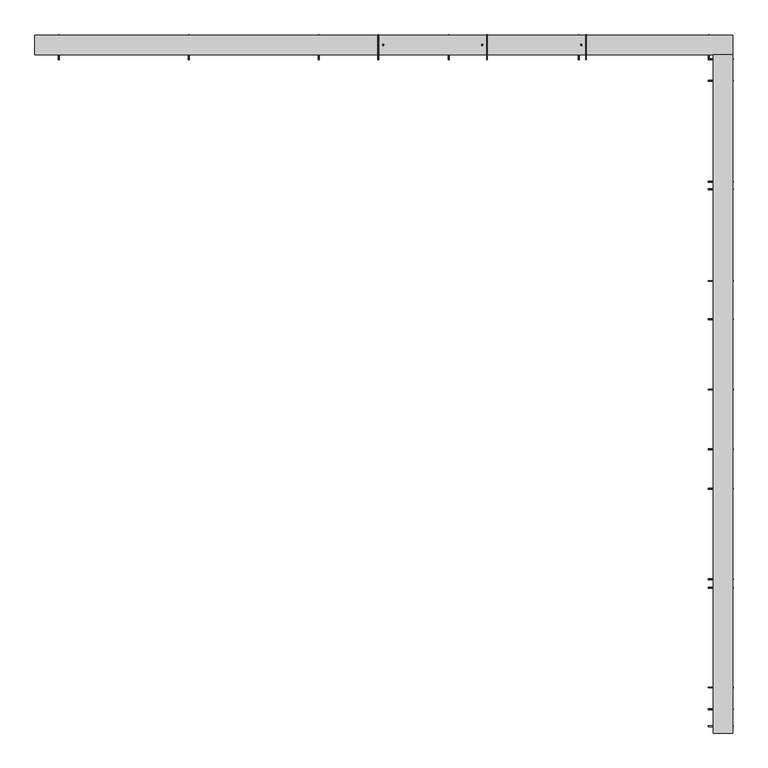
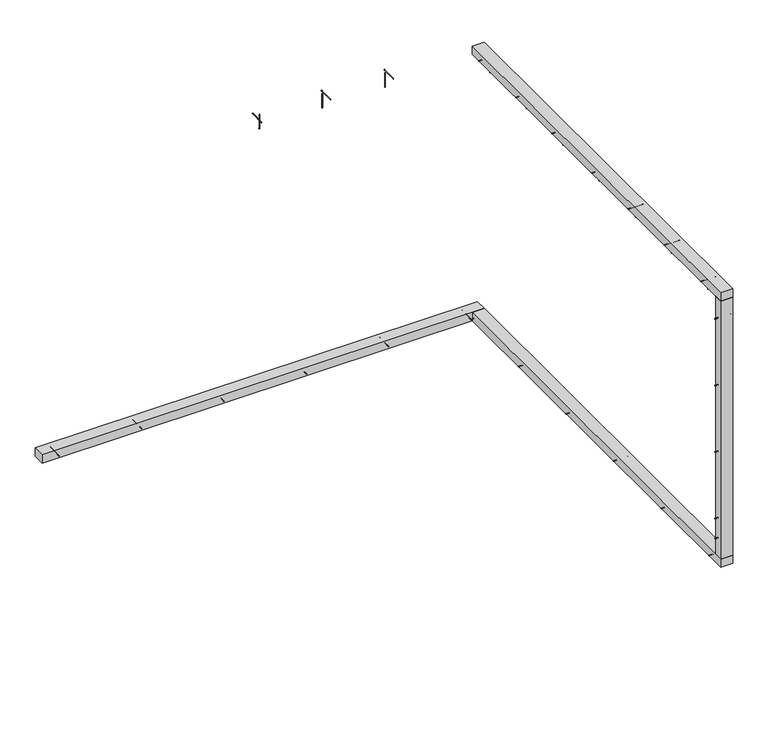
"""IFC4 building model written with IfcOpenShell, lengths in millimetres: proxy geometry."""

from ifc_helpers import new_model, si_unit, point, frame, frame_2d, origin, origin_with_axes, place, context, project, spatial, polyline, circle_curve, trimmed, segment, composite_curve, outline, extrude, source, transform, mapped, element, save


def generic_models_21208de3(model_context):
    return source(origin(), model_context, "Body", "SweptSolid", [
        extrude(outline(composite_curve([segment(trimmed(circle_curve(frame_2d((-690.0, 42.5)), 2.4700592), [point((-690.0, 44.9700592))], [point((-690.0, 40.0299408))], False, "CARTESIAN"), True, "CONTINUOUS"), segment(trimmed(circle_curve(frame_2d((-690.0, 42.5)), 2.4700592), [point((-690.0, 40.0299408))], [point((-690.0, 44.9700592))], False, "CARTESIAN"), True, "CONTINUOUS")], self_intersect=False)), frame((2220.5, 0.0, 0.0), z_axis=(1.0, 0.0, 0.0), x_axis=(0.0, 1.0, 0.0)), (0.0, 0.0, 1.0), 152.0),
        extrude(outline(composite_curve([segment(trimmed(circle_curve(frame_2d((-690.0, 42.5)), 3.8), [point((-690.0, 46.3))], [point((-690.0, 38.7))], False, "CARTESIAN"), True, "CONTINUOUS"), segment(trimmed(circle_curve(frame_2d((-690.0, 42.5)), 3.8), [point((-690.0, 38.7))], [point((-690.0, 46.3))], False, "CARTESIAN"), True, "CONTINUOUS")], self_intersect=False)), frame((2372.5, 0.0, 0.0), z_axis=(1.0, 0.0, 0.0), x_axis=(0.0, 1.0, 0.0)), (0.0, 0.0, 1.0), 3.0),
        extrude(outline(composite_curve([segment(trimmed(circle_curve(frame_2d((-1505.0, 42.5)), 2.4700592), [point((-1505.0, 44.9700592))], [point((-1505.0, 40.0299408))], False, "CARTESIAN"), True, "CONTINUOUS"), segment(trimmed(circle_curve(frame_2d((-1505.0, 42.5)), 2.4700592), [point((-1505.0, 40.0299408))], [point((-1505.0, 44.9700592))], False, "CARTESIAN"), True, "CONTINUOUS")], self_intersect=False)), frame((2220.5, 0.0, 0.0), z_axis=(1.0, 0.0, 0.0), x_axis=(0.0, 1.0, 0.0)), (0.0, 0.0, 1.0), 152.0),
        extrude(outline(composite_curve([segment(trimmed(circle_curve(frame_2d((-1505.0, 42.5)), 3.8), [point((-1505.0, 46.3))], [point((-1505.0, 38.7))], False, "CARTESIAN"), True, "CONTINUOUS"), segment(trimmed(circle_curve(frame_2d((-1505.0, 42.5)), 3.8), [point((-1505.0, 38.7))], [point((-1505.0, 46.3))], False, "CARTESIAN"), True, "CONTINUOUS")], self_intersect=False)), frame((2372.5, 0.0, 0.0), z_axis=(1.0, 0.0, 0.0), x_axis=(0.0, 1.0, 0.0)), (0.0, 0.0, 1.0), 3.0),
        extrude(outline(composite_curve([segment(trimmed(circle_curve(frame_2d((-2320.0, 42.5)), 2.4700592), [point((-2320.0, 44.9700592))], [point((-2320.0, 40.0299408))], False, "CARTESIAN"), True, "CONTINUOUS"), segment(trimmed(circle_curve(frame_2d((-2320.0, 42.5)), 2.4700592), [point((-2320.0, 40.0299408))], [point((-2320.0, 44.9700592))], False, "CARTESIAN"), True, "CONTINUOUS")], self_intersect=False)), frame((2220.5, 0.0, 0.0), z_axis=(1.0, 0.0, 0.0), x_axis=(0.0, 1.0, 0.0)), (0.0, 0.0, 1.0), 152.0),
        extrude(outline(composite_curve([segment(trimmed(circle_curve(frame_2d((-2320.0, 42.5)), 3.8), [point((-2320.0, 46.3))], [point((-2320.0, 38.7))], False, "CARTESIAN"), True, "CONTINUOUS"), segment(trimmed(circle_curve(frame_2d((-2320.0, 42.5)), 3.8), [point((-2320.0, 38.7))], [point((-2320.0, 46.3))], False, "CARTESIAN"), True, "CONTINUOUS")], self_intersect=False)), frame((2372.5, 0.0, 0.0), z_axis=(1.0, 0.0, 0.0), x_axis=(0.0, 1.0, 0.0)), (0.0, 0.0, 1.0), 3.0),
        extrude(outline(composite_curve([segment(trimmed(circle_curve(frame_2d((-3135.0, 42.5)), 2.4700592), [point((-3135.0, 44.9700592))], [point((-3135.0, 40.0299408))], False, "CARTESIAN"), True, "CONTINUOUS"), segment(trimmed(circle_curve(frame_2d((-3135.0, 42.5)), 2.4700592), [point((-3135.0, 40.0299408))], [point((-3135.0, 44.9700592))], False, "CARTESIAN"), True, "CONTINUOUS")], self_intersect=False)), frame((2220.5, 0.0, 0.0), z_axis=(1.0, 0.0, 0.0), x_axis=(0.0, 1.0, 0.0)), (0.0, 0.0, 1.0), 152.0),
        extrude(outline(composite_curve([segment(trimmed(circle_curve(frame_2d((-3135.0, 42.5)), 3.8), [point((-3135.0, 46.3))], [point((-3135.0, 38.7))], False, "CARTESIAN"), True, "CONTINUOUS"), segment(trimmed(circle_curve(frame_2d((-3135.0, 42.5)), 3.8), [point((-3135.0, 38.7))], [point((-3135.0, 46.3))], False, "CARTESIAN"), True, "CONTINUOUS")], self_intersect=False)), frame((2372.5, 0.0, 0.0), z_axis=(1.0, 0.0, 0.0), x_axis=(0.0, 1.0, 0.0)), (0.0, 0.0, 1.0), 3.0),
        extrude(outline(composite_curve([segment(trimmed(circle_curve(frame_2d((125.0, 42.5)), 2.4700592), [point((125.0, 44.9700592))], [point((125.0, 40.0299408))], False, "CARTESIAN"), True, "CONTINUOUS"), segment(trimmed(circle_curve(frame_2d((125.0, 42.5)), 2.4700592), [point((125.0, 40.0299408))], [point((125.0, 44.9700592))], False, "CARTESIAN"), True, "CONTINUOUS")], self_intersect=False)), frame((2220.5, 0.0, 0.0), z_axis=(1.0, 0.0, 0.0), x_axis=(0.0, 1.0, 0.0)), (0.0, 0.0, 1.0), 152.0),
        extrude(outline(composite_curve([segment(trimmed(circle_curve(frame_2d((125.0, 42.5)), 3.8), [point((125.0, 46.3))], [point((125.0, 38.7))], False, "CARTESIAN"), True, "CONTINUOUS"), segment(trimmed(circle_curve(frame_2d((125.0, 42.5)), 3.8), [point((125.0, 38.7))], [point((125.0, 46.3))], False, "CARTESIAN"), True, "CONTINUOUS")], self_intersect=False)), frame((2372.5, 0.0, 0.0), z_axis=(1.0, 0.0, 0.0), x_axis=(0.0, 1.0, 0.0)), (0.0, 0.0, 1.0), 3.0),
        extrude(outline(composite_curve([segment(trimmed(circle_curve(frame_2d((-3950.0, 42.5)), 2.4700592), [point((-3950.0, 44.9700592))], [point((-3950.0, 40.0299408))], False, "CARTESIAN"), True, "CONTINUOUS"), segment(trimmed(circle_curve(frame_2d((-3950.0, 42.5)), 2.4700592), [point((-3950.0, 40.0299408))], [point((-3950.0, 44.9700592))], False, "CARTESIAN"), True, "CONTINUOUS")], self_intersect=False)), frame((2220.5, 0.0, 0.0), z_axis=(1.0, 0.0, 0.0), x_axis=(0.0, 1.0, 0.0)), (0.0, 0.0, 1.0), 152.0),
        extrude(outline(composite_curve([segment(trimmed(circle_curve(frame_2d((-3950.0, 42.5)), 3.8), [point((-3950.0, 46.3))], [point((-3950.0, 38.7))], False, "CARTESIAN"), True, "CONTINUOUS"), segment(trimmed(circle_curve(frame_2d((-3950.0, 42.5)), 3.8), [point((-3950.0, 38.7))], [point((-3950.0, 46.3))], False, "CARTESIAN"), True, "CONTINUOUS")], self_intersect=False)), frame((2372.5, 0.0, 0.0), z_axis=(1.0, 0.0, 0.0), x_axis=(0.0, 1.0, 0.0)), (0.0, 0.0, 1.0), 3.0),
        extrude(outline(polyline([(2252.5, 155.0), (2372.5, 155.0), (2372.5, -4100.0), (2252.5, -4100.0), (2252.5, 155.0)])), origin_with_axes(), (0.0, 0.0, 1.0), 85.0),
        extrude(outline(composite_curve([segment(trimmed(circle_curve(frame_2d((-1264.6666667, 2827.5)), 2.4700592), [point((-1264.6666667, 2829.9700592))], [point((-1264.6666667, 2825.0299408))], False, "CARTESIAN"), True, "CONTINUOUS"), segment(trimmed(circle_curve(frame_2d((-1264.6666667, 2827.5)), 2.4700592), [point((-1264.6666667, 2825.0299408))], [point((-1264.6666667, 2829.9700592))], False, "CARTESIAN"), True, "CONTINUOUS")], self_intersect=False)), frame((2220.5, 0.0, 0.0), z_axis=(1.0, 0.0, 0.0), x_axis=(0.0, 1.0, 0.0)), (0.0, 0.0, 1.0), 152.0),
        extrude(outline(composite_curve([segment(trimmed(circle_curve(frame_2d((-1264.6666667, 2827.5)), 3.8), [point((-1264.6666667, 2831.3))], [point((-1264.6666667, 2823.7))], False, "CARTESIAN"), True, "CONTINUOUS"), segment(trimmed(circle_curve(frame_2d((-1264.6666667, 2827.5)), 3.8), [point((-1264.6666667, 2823.7))], [point((-1264.6666667, 2831.3))], False, "CARTESIAN"), True, "CONTINUOUS")], self_intersect=False)), frame((2372.5, 0.0, 0.0), z_axis=(1.0, 0.0, 0.0), x_axis=(0.0, 1.0, 0.0)), (0.0, 0.0, 1.0), 3.0),
        extrude(outline(composite_curve([segment(trimmed(circle_curve(frame_2d((2312.5, -1294.6666667)), 2.4700592), [point((2310.0299408, -1294.6666667))], [point((2314.9700592, -1294.6666667))], False, "CARTESIAN"), True, "CONTINUOUS"), segment(trimmed(circle_curve(frame_2d((2312.5, -1294.6666667)), 2.4700592), [point((2314.9700592, -1294.6666667))], [point((2310.0299408, -1294.6666667))], False, "CARTESIAN"), True, "CONTINUOUS")], self_intersect=False)), frame((0.0, 0.0, 2700.0), z_axis=(0.0, 0.0, 1.0), x_axis=(1.0, 0.0, 0.0)), (0.0, 0.0, 1.0), 145.0),
        extrude(outline(composite_curve([segment(trimmed(circle_curve(frame_2d((2312.5, -1294.6666667)), 3.8), [point((2308.7, -1294.6666667))], [point((2316.3, -1294.6666667))], False, "CARTESIAN"), True, "CONTINUOUS"), segment(trimmed(circle_curve(frame_2d((2312.5, -1294.6666667)), 3.8), [point((2316.3, -1294.6666667))], [point((2308.7, -1294.6666667))], False, "CARTESIAN"), True, "CONTINUOUS")], self_intersect=False)), frame((0.0, 0.0, 2697.0), z_axis=(0.0, 0.0, 1.0), x_axis=(1.0, 0.0, 0.0)), (0.0, 0.0, 1.0), 3.0),
        extrude(outline(composite_curve([segment(trimmed(circle_curve(frame_2d((-1946.0, 2827.5)), 2.4700592), [point((-1946.0, 2829.9700592))], [point((-1946.0, 2825.0299408))], False, "CARTESIAN"), True, "CONTINUOUS"), segment(trimmed(circle_curve(frame_2d((-1946.0, 2827.5)), 2.4700592), [point((-1946.0, 2825.0299408))], [point((-1946.0, 2829.9700592))], False, "CARTESIAN"), True, "CONTINUOUS")], self_intersect=False)), frame((2220.5, 0.0, 0.0), z_axis=(1.0, 0.0, 0.0), x_axis=(0.0, 1.0, 0.0)), (0.0, 0.0, 1.0), 152.0),
        extrude(outline(composite_curve([segment(trimmed(circle_curve(frame_2d((-1946.0, 2827.5)), 3.8), [point((-1946.0, 2831.3))], [point((-1946.0, 2823.7))], False, "CARTESIAN"), True, "CONTINUOUS"), segment(trimmed(circle_curve(frame_2d((-1946.0, 2827.5)), 3.8), [point((-1946.0, 2823.7))], [point((-1946.0, 2831.3))], False, "CARTESIAN"), True, "CONTINUOUS")], self_intersect=False)), frame((2372.5, 0.0, 0.0), z_axis=(1.0, 0.0, 0.0), x_axis=(0.0, 1.0, 0.0)), (0.0, 0.0, 1.0), 3.0),
        extrude(outline(composite_curve([segment(trimmed(circle_curve(frame_2d((2312.5, -1916.0)), 2.4700592), [point((2310.0299408, -1916.0))], [point((2314.9700592, -1916.0))], False, "CARTESIAN"), True, "CONTINUOUS"), segment(trimmed(circle_curve(frame_2d((2312.5, -1916.0)), 2.4700592), [point((2314.9700592, -1916.0))], [point((2310.0299408, -1916.0))], False, "CARTESIAN"), True, "CONTINUOUS")], self_intersect=False)), frame((0.0, 0.0, 2700.0), z_axis=(0.0, 0.0, 1.0), x_axis=(1.0, 0.0, 0.0)), (0.0, 0.0, 1.0), 145.0),
        extrude(outline(composite_curve([segment(trimmed(circle_curve(frame_2d((2312.5, -1916.0)), 3.8), [point((2308.7, -1916.0))], [point((2316.3, -1916.0))], False, "CARTESIAN"), True, "CONTINUOUS"), segment(trimmed(circle_curve(frame_2d((2312.5, -1916.0)), 3.8), [point((2316.3, -1916.0))], [point((2308.7, -1916.0))], False, "CARTESIAN"), True, "CONTINUOUS")], self_intersect=False)), frame((0.0, 0.0, 2697.0), z_axis=(0.0, 0.0, 1.0), x_axis=(1.0, 0.0, 0.0)), (0.0, 0.0, 1.0), 3.0),
        extrude(outline(composite_curve([segment(trimmed(circle_curve(frame_2d((-643.3333333, 2827.5)), 2.4700592), [point((-643.3333333, 2829.9700592))], [point((-643.3333333, 2825.0299408))], False, "CARTESIAN"), True, "CONTINUOUS"), segment(trimmed(circle_curve(frame_2d((-643.3333333, 2827.5)), 2.4700592), [point((-643.3333333, 2825.0299408))], [point((-643.3333333, 2829.9700592))], False, "CARTESIAN"), True, "CONTINUOUS")], self_intersect=False)), frame((2220.5, 0.0, 0.0), z_axis=(1.0, 0.0, 0.0), x_axis=(0.0, 1.0, 0.0)), (0.0, 0.0, 1.0), 152.0),
        extrude(outline(composite_curve([segment(trimmed(circle_curve(frame_2d((-643.3333333, 2827.5)), 3.8), [point((-643.3333333, 2831.3))], [point((-643.3333333, 2823.7))], False, "CARTESIAN"), True, "CONTINUOUS"), segment(trimmed(circle_curve(frame_2d((-643.3333333, 2827.5)), 3.8), [point((-643.3333333, 2823.7))], [point((-643.3333333, 2831.3))], False, "CARTESIAN"), True, "CONTINUOUS")], self_intersect=False)), frame((2372.5, 0.0, 0.0), z_axis=(1.0, 0.0, 0.0), x_axis=(0.0, 1.0, 0.0)), (0.0, 0.0, 1.0), 3.0),
        extrude(outline(composite_curve([segment(trimmed(circle_curve(frame_2d((2312.5, -673.3333333)), 2.4700592), [point((2310.0299408, -673.3333333))], [point((2314.9700592, -673.3333333))], False, "CARTESIAN"), True, "CONTINUOUS"), segment(trimmed(circle_curve(frame_2d((2312.5, -673.3333333)), 2.4700592), [point((2314.9700592, -673.3333333))], [point((2310.0299408, -673.3333333))], False, "CARTESIAN"), True, "CONTINUOUS")], self_intersect=False)), frame((0.0, 0.0, 2700.0), z_axis=(0.0, 0.0, 1.0), x_axis=(1.0, 0.0, 0.0)), (0.0, 0.0, 1.0), 145.0),
        extrude(outline(composite_curve([segment(trimmed(circle_curve(frame_2d((2312.5, -673.3333333)), 3.8), [point((2308.7, -673.3333333))], [point((2316.3, -673.3333333))], False, "CARTESIAN"), True, "CONTINUOUS"), segment(trimmed(circle_curve(frame_2d((2312.5, -673.3333333)), 3.8), [point((2316.3, -673.3333333))], [point((2308.7, -673.3333333))], False, "CARTESIAN"), True, "CONTINUOUS")], self_intersect=False)), frame((0.0, 0.0, 2697.0), z_axis=(0.0, 0.0, 1.0), x_axis=(1.0, 0.0, 0.0)), (0.0, 0.0, 1.0), 3.0),
        extrude(outline(composite_curve([segment(trimmed(circle_curve(frame_2d((-2567.3333333, 2827.5)), 2.4700592), [point((-2567.3333333, 2829.9700592))], [point((-2567.3333333, 2825.0299408))], False, "CARTESIAN"), True, "CONTINUOUS"), segment(trimmed(circle_curve(frame_2d((-2567.3333333, 2827.5)), 2.4700592), [point((-2567.3333333, 2825.0299408))], [point((-2567.3333333, 2829.9700592))], False, "CARTESIAN"), True, "CONTINUOUS")], self_intersect=False)), frame((2220.5, 0.0, 0.0), z_axis=(1.0, 0.0, 0.0), x_axis=(0.0, 1.0, 0.0)), (0.0, 0.0, 1.0), 152.0),
        extrude(outline(composite_curve([segment(trimmed(circle_curve(frame_2d((-2567.3333333, 2827.5)), 3.8), [point((-2567.3333333, 2831.3))], [point((-2567.3333333, 2823.7))], False, "CARTESIAN"), True, "CONTINUOUS"), segment(trimmed(circle_curve(frame_2d((-2567.3333333, 2827.5)), 3.8), [point((-2567.3333333, 2823.7))], [point((-2567.3333333, 2831.3))], False, "CARTESIAN"), True, "CONTINUOUS")], self_intersect=False)), frame((2372.5, 0.0, 0.0), z_axis=(1.0, 0.0, 0.0), x_axis=(0.0, 1.0, 0.0)), (0.0, 0.0, 1.0), 3.0),
        extrude(outline(composite_curve([segment(trimmed(circle_curve(frame_2d((2312.5, -2537.3333333)), 2.4700592), [point((2310.0299408, -2537.3333333))], [point((2314.9700592, -2537.3333333))], False, "CARTESIAN"), True, "CONTINUOUS"), segment(trimmed(circle_curve(frame_2d((2312.5, -2537.3333333)), 2.4700592), [point((2314.9700592, -2537.3333333))], [point((2310.0299408, -2537.3333333))], False, "CARTESIAN"), True, "CONTINUOUS")], self_intersect=False)), frame((0.0, 0.0, 2700.0), z_axis=(0.0, 0.0, 1.0), x_axis=(1.0, 0.0, 0.0)), (0.0, 0.0, 1.0), 145.0),
        extrude(outline(composite_curve([segment(trimmed(circle_curve(frame_2d((2312.5, -2537.3333333)), 3.8), [point((2308.7, -2537.3333333))], [point((2316.3, -2537.3333333))], False, "CARTESIAN"), True, "CONTINUOUS"), segment(trimmed(circle_curve(frame_2d((2312.5, -2537.3333333)), 3.8), [point((2316.3, -2537.3333333))], [point((2308.7, -2537.3333333))], False, "CARTESIAN"), True, "CONTINUOUS")], self_intersect=False)), frame((0.0, 0.0, 2697.0), z_axis=(0.0, 0.0, 1.0), x_axis=(1.0, 0.0, 0.0)), (0.0, 0.0, 1.0), 3.0),
        extrude(outline(composite_curve([segment(trimmed(circle_curve(frame_2d((-3188.6666667, 2827.5)), 2.4700592), [point((-3188.6666667, 2829.9700592))], [point((-3188.6666667, 2825.0299408))], False, "CARTESIAN"), True, "CONTINUOUS"), segment(trimmed(circle_curve(frame_2d((-3188.6666667, 2827.5)), 2.4700592), [point((-3188.6666667, 2825.0299408))], [point((-3188.6666667, 2829.9700592))], False, "CARTESIAN"), True, "CONTINUOUS")], self_intersect=False)), frame((2220.5, 0.0, 0.0), z_axis=(1.0, 0.0, 0.0), x_axis=(0.0, 1.0, 0.0)), (0.0, 0.0, 1.0), 152.0),
        extrude(outline(composite_curve([segment(trimmed(circle_curve(frame_2d((-3188.6666667, 2827.5)), 3.8), [point((-3188.6666667, 2831.3))], [point((-3188.6666667, 2823.7))], False, "CARTESIAN"), True, "CONTINUOUS"), segment(trimmed(circle_curve(frame_2d((-3188.6666667, 2827.5)), 3.8), [point((-3188.6666667, 2823.7))], [point((-3188.6666667, 2831.3))], False, "CARTESIAN"), True, "CONTINUOUS")], self_intersect=False)), frame((2372.5, 0.0, 0.0), z_axis=(1.0, 0.0, 0.0), x_axis=(0.0, 1.0, 0.0)), (0.0, 0.0, 1.0), 3.0),
        extrude(outline(composite_curve([segment(trimmed(circle_curve(frame_2d((2312.5, -3158.6666667)), 2.4700592), [point((2310.0299408, -3158.6666667))], [point((2314.9700592, -3158.6666667))], False, "CARTESIAN"), True, "CONTINUOUS"), segment(trimmed(circle_curve(frame_2d((2312.5, -3158.6666667)), 2.4700592), [point((2314.9700592, -3158.6666667))], [point((2310.0299408, -3158.6666667))], False, "CARTESIAN"), True, "CONTINUOUS")], self_intersect=False)), frame((0.0, 0.0, 2700.0), z_axis=(0.0, 0.0, 1.0), x_axis=(1.0, 0.0, 0.0)), (0.0, 0.0, 1.0), 145.0),
        extrude(outline(composite_curve([segment(trimmed(circle_curve(frame_2d((2312.5, -3158.6666667)), 3.8), [point((2308.7, -3158.6666667))], [point((2316.3, -3158.6666667))], False, "CARTESIAN"), True, "CONTINUOUS"), segment(trimmed(circle_curve(frame_2d((2312.5, -3158.6666667)), 3.8), [point((2316.3, -3158.6666667))], [point((2308.7, -3158.6666667))], False, "CARTESIAN"), True, "CONTINUOUS")], self_intersect=False)), frame((0.0, 0.0, 2697.0), z_axis=(0.0, 0.0, 1.0), x_axis=(1.0, 0.0, 0.0)), (0.0, 0.0, 1.0), 3.0),
        extrude(outline(composite_curve([segment(trimmed(circle_curve(frame_2d((2312.5, -52.0)), 2.4700592), [point((2310.0299408, -52.0))], [point((2314.9700592, -52.0))], False, "CARTESIAN"), True, "CONTINUOUS"), segment(trimmed(circle_curve(frame_2d((2312.5, -52.0)), 2.4700592), [point((2314.9700592, -52.0))], [point((2310.0299408, -52.0))], False, "CARTESIAN"), True, "CONTINUOUS")], self_intersect=False)), frame((0.0, 0.0, 2700.0), z_axis=(0.0, 0.0, 1.0), x_axis=(1.0, 0.0, 0.0)), (0.0, 0.0, 1.0), 145.0),
        extrude(outline(composite_curve([segment(trimmed(circle_curve(frame_2d((2312.5, -52.0)), 3.8), [point((2308.7, -52.0))], [point((2316.3, -52.0))], False, "CARTESIAN"), True, "CONTINUOUS"), segment(trimmed(circle_curve(frame_2d((2312.5, -52.0)), 3.8), [point((2316.3, -52.0))], [point((2308.7, -52.0))], False, "CARTESIAN"), True, "CONTINUOUS")], self_intersect=False)), frame((0.0, 0.0, 2697.0), z_axis=(0.0, 0.0, 1.0), x_axis=(1.0, 0.0, 0.0)), (0.0, 0.0, 1.0), 3.0),
        extrude(outline(composite_curve([segment(trimmed(circle_curve(frame_2d((2312.5, -3780.0)), 2.4700592), [point((2310.0299408, -3780.0))], [point((2314.9700592, -3780.0))], False, "CARTESIAN"), True, "CONTINUOUS"), segment(trimmed(circle_curve(frame_2d((2312.5, -3780.0)), 2.4700592), [point((2314.9700592, -3780.0))], [point((2310.0299408, -3780.0))], False, "CARTESIAN"), True, "CONTINUOUS")], self_intersect=False)), frame((0.0, 0.0, 2700.0), z_axis=(0.0, 0.0, 1.0), x_axis=(1.0, 0.0, 0.0)), (0.0, 0.0, 1.0), 145.0),
        extrude(outline(composite_curve([segment(trimmed(circle_curve(frame_2d((2312.5, -3780.0)), 3.8), [point((2308.7, -3780.0))], [point((2316.3, -3780.0))], False, "CARTESIAN"), True, "CONTINUOUS"), segment(trimmed(circle_curve(frame_2d((2312.5, -3780.0)), 3.8), [point((2316.3, -3780.0))], [point((2308.7, -3780.0))], False, "CARTESIAN"), True, "CONTINUOUS")], self_intersect=False)), frame((0.0, 0.0, 2697.0), z_axis=(0.0, 0.0, 1.0), x_axis=(1.0, 0.0, 0.0)), (0.0, 0.0, 1.0), 3.0),
        extrude(outline(composite_curve([segment(trimmed(circle_curve(frame_2d((-3815.0, 2827.5)), 2.4700592), [point((-3815.0, 2829.9700592))], [point((-3815.0, 2825.0299408))], False, "CARTESIAN"), True, "CONTINUOUS"), segment(trimmed(circle_curve(frame_2d((-3815.0, 2827.5)), 2.4700592), [point((-3815.0, 2825.0299408))], [point((-3815.0, 2829.9700592))], False, "CARTESIAN"), True, "CONTINUOUS")], self_intersect=False)), frame((2220.5, 0.0, 0.0), z_axis=(1.0, 0.0, 0.0), x_axis=(0.0, 1.0, 0.0)), (0.0, 0.0, 1.0), 152.0),
        extrude(outline(composite_curve([segment(trimmed(circle_curve(frame_2d((-3815.0, 2827.5)), 3.8), [point((-3815.0, 2831.3))], [point((-3815.0, 2823.7))], False, "CARTESIAN"), True, "CONTINUOUS"), segment(trimmed(circle_curve(frame_2d((-3815.0, 2827.5)), 3.8), [point((-3815.0, 2823.7))], [point((-3815.0, 2831.3))], False, "CARTESIAN"), True, "CONTINUOUS")], self_intersect=False)), frame((2372.5, 0.0, 0.0), z_axis=(1.0, 0.0, 0.0), x_axis=(0.0, 1.0, 0.0)), (0.0, 0.0, 1.0), 3.0),
        extrude(outline(composite_curve([segment(trimmed(circle_curve(frame_2d((-10.0, 2827.5)), 2.4700592), [point((-10.0, 2829.9700592))], [point((-10.0, 2825.0299408))], False, "CARTESIAN"), True, "CONTINUOUS"), segment(trimmed(circle_curve(frame_2d((-10.0, 2827.5)), 2.4700592), [point((-10.0, 2825.0299408))], [point((-10.0, 2829.9700592))], False, "CARTESIAN"), True, "CONTINUOUS")], self_intersect=False)), frame((2220.5, 0.0, 0.0), z_axis=(1.0, 0.0, 0.0), x_axis=(0.0, 1.0, 0.0)), (0.0, 0.0, 1.0), 152.0),
        extrude(outline(composite_curve([segment(trimmed(circle_curve(frame_2d((-10.0, 2827.5)), 3.8), [point((-10.0, 2831.3))], [point((-10.0, 2823.7))], False, "CARTESIAN"), True, "CONTINUOUS"), segment(trimmed(circle_curve(frame_2d((-10.0, 2827.5)), 3.8), [point((-10.0, 2823.7))], [point((-10.0, 2831.3))], False, "CARTESIAN"), True, "CONTINUOUS")], self_intersect=False)), frame((2372.5, 0.0, 0.0), z_axis=(1.0, 0.0, 0.0), x_axis=(0.0, 1.0, 0.0)), (0.0, 0.0, 1.0), 3.0),
        extrude(outline(polyline([(2252.5, 155.0), (2372.5, 155.0), (2372.5, -4100.0), (2252.5, -4100.0), (2252.5, 155.0)])), frame((0.0, 0.0, 2785.0), z_axis=(0.0, 0.0, 1.0), x_axis=(1.0, 0.0, 0.0)), (0.0, 0.0, 1.0), 85.0),
        extrude(outline(composite_curve([segment(trimmed(circle_curve(frame_2d((-4057.5, 495.0)), 2.4700592), [point((-4059.9700592, 495.0))], [point((-4055.0299408, 495.0))], False, "CARTESIAN"), True, "CONTINUOUS"), segment(trimmed(circle_curve(frame_2d((-4057.5, 495.0)), 2.4700592), [point((-4055.0299408, 495.0))], [point((-4059.9700592, 495.0))], False, "CARTESIAN"), True, "CONTINUOUS")], self_intersect=False)), frame((2220.5, 0.0, 0.0), z_axis=(1.0, 0.0, 0.0), x_axis=(0.0, 1.0, 0.0)), (0.0, 0.0, 1.0), 152.0),
        extrude(outline(composite_curve([segment(trimmed(circle_curve(frame_2d((-4057.5, 495.0)), 3.8), [point((-4061.3, 495.0))], [point((-4053.7, 495.0))], False, "CARTESIAN"), True, "CONTINUOUS"), segment(trimmed(circle_curve(frame_2d((-4057.5, 495.0)), 3.8), [point((-4053.7, 495.0))], [point((-4061.3, 495.0))], False, "CARTESIAN"), True, "CONTINUOUS")], self_intersect=False)), frame((2372.5, 0.0, 0.0), z_axis=(1.0, 0.0, 0.0), x_axis=(0.0, 1.0, 0.0)), (0.0, 0.0, 1.0), 3.0),
        extrude(outline(composite_curve([segment(trimmed(circle_curve(frame_2d((-4057.5, 1190.0)), 2.4700592), [point((-4059.9700592, 1190.0))], [point((-4055.0299408, 1190.0))], False, "CARTESIAN"), True, "CONTINUOUS"), segment(trimmed(circle_curve(frame_2d((-4057.5, 1190.0)), 2.4700592), [point((-4055.0299408, 1190.0))], [point((-4059.9700592, 1190.0))], False, "CARTESIAN"), True, "CONTINUOUS")], self_intersect=False)), frame((2220.5, 0.0, 0.0), z_axis=(1.0, 0.0, 0.0), x_axis=(0.0, 1.0, 0.0)), (0.0, 0.0, 1.0), 152.0),
        extrude(outline(composite_curve([segment(trimmed(circle_curve(frame_2d((-4057.5, 1190.0)), 3.8), [point((-4061.3, 1190.0))], [point((-4053.7, 1190.0))], False, "CARTESIAN"), True, "CONTINUOUS"), segment(trimmed(circle_curve(frame_2d((-4057.5, 1190.0)), 3.8), [point((-4053.7, 1190.0))], [point((-4061.3, 1190.0))], False, "CARTESIAN"), True, "CONTINUOUS")], self_intersect=False)), frame((2372.5, 0.0, 0.0), z_axis=(1.0, 0.0, 0.0), x_axis=(0.0, 1.0, 0.0)), (0.0, 0.0, 1.0), 3.0),
        extrude(outline(composite_curve([segment(trimmed(circle_curve(frame_2d((1160.0, 2312.5)), 2.4700592), [point((1160.0, 2310.0299408))], [point((1160.0, 2314.9700592))], False, "CARTESIAN"), True, "CONTINUOUS"), segment(trimmed(circle_curve(frame_2d((1160.0, 2312.5)), 2.4700592), [point((1160.0, 2314.9700592))], [point((1160.0, 2310.0299408))], False, "CARTESIAN"), True, "CONTINUOUS")], self_intersect=False)), frame((0.0, -4075.0, 0.0), z_axis=(0.0, 1.0, 0.0), x_axis=(0.0, 0.0, 1.0)), (0.0, 0.0, 1.0), 145.0),
        extrude(outline(composite_curve([segment(trimmed(circle_curve(frame_2d((1160.0, 2312.5)), 3.8), [point((1160.0, 2308.7))], [point((1160.0, 2316.3))], False, "CARTESIAN"), True, "CONTINUOUS"), segment(trimmed(circle_curve(frame_2d((1160.0, 2312.5)), 3.8), [point((1160.0, 2316.3))], [point((1160.0, 2308.7))], False, "CARTESIAN"), True, "CONTINUOUS")], self_intersect=False)), frame((0.0, -3930.0, 0.0), z_axis=(0.0, 1.0, 0.0), x_axis=(0.0, 0.0, 1.0)), (0.0, 0.0, 1.0), 3.0),
        extrude(outline(composite_curve([segment(trimmed(circle_curve(frame_2d((-4057.5, 1885.0)), 2.4700592), [point((-4059.9700592, 1885.0))], [point((-4055.0299408, 1885.0))], False, "CARTESIAN"), True, "CONTINUOUS"), segment(trimmed(circle_curve(frame_2d((-4057.5, 1885.0)), 2.4700592), [point((-4055.0299408, 1885.0))], [point((-4059.9700592, 1885.0))], False, "CARTESIAN"), True, "CONTINUOUS")], self_intersect=False)), frame((2220.5, 0.0, 0.0), z_axis=(1.0, 0.0, 0.0), x_axis=(0.0, 1.0, 0.0)), (0.0, 0.0, 1.0), 152.0),
        extrude(outline(composite_curve([segment(trimmed(circle_curve(frame_2d((-4057.5, 1885.0)), 3.8), [point((-4061.3, 1885.0))], [point((-4053.7, 1885.0))], False, "CARTESIAN"), True, "CONTINUOUS"), segment(trimmed(circle_curve(frame_2d((-4057.5, 1885.0)), 3.8), [point((-4053.7, 1885.0))], [point((-4061.3, 1885.0))], False, "CARTESIAN"), True, "CONTINUOUS")], self_intersect=False)), frame((2372.5, 0.0, 0.0), z_axis=(1.0, 0.0, 0.0), x_axis=(0.0, 1.0, 0.0)), (0.0, 0.0, 1.0), 3.0),
        extrude(outline(composite_curve([segment(trimmed(circle_curve(frame_2d((1855.0, 2312.5)), 2.4700592), [point((1855.0, 2310.0299408))], [point((1855.0, 2314.9700592))], False, "CARTESIAN"), True, "CONTINUOUS"), segment(trimmed(circle_curve(frame_2d((1855.0, 2312.5)), 2.4700592), [point((1855.0, 2314.9700592))], [point((1855.0, 2310.0299408))], False, "CARTESIAN"), True, "CONTINUOUS")], self_intersect=False)), frame((0.0, -4075.0, 0.0), z_axis=(0.0, 1.0, 0.0), x_axis=(0.0, 0.0, 1.0)), (0.0, 0.0, 1.0), 145.0),
        extrude(outline(composite_curve([segment(trimmed(circle_curve(frame_2d((1855.0, 2312.5)), 3.8), [point((1855.0, 2308.7))], [point((1855.0, 2316.3))], False, "CARTESIAN"), True, "CONTINUOUS"), segment(trimmed(circle_curve(frame_2d((1855.0, 2312.5)), 3.8), [point((1855.0, 2316.3))], [point((1855.0, 2308.7))], False, "CARTESIAN"), True, "CONTINUOUS")], self_intersect=False)), frame((0.0, -3930.0, 0.0), z_axis=(0.0, 1.0, 0.0), x_axis=(0.0, 0.0, 1.0)), (0.0, 0.0, 1.0), 3.0),
        extrude(outline(composite_curve([segment(trimmed(circle_curve(frame_2d((465.0, 2312.5)), 2.4700592), [point((465.0, 2310.0299408))], [point((465.0, 2314.9700592))], False, "CARTESIAN"), True, "CONTINUOUS"), segment(trimmed(circle_curve(frame_2d((465.0, 2312.5)), 2.4700592), [point((465.0, 2314.9700592))], [point((465.0, 2310.0299408))], False, "CARTESIAN"), True, "CONTINUOUS")], self_intersect=False)), frame((0.0, -4075.0, 0.0), z_axis=(0.0, 1.0, 0.0), x_axis=(0.0, 0.0, 1.0)), (0.0, 0.0, 1.0), 145.0),
        extrude(outline(composite_curve([segment(trimmed(circle_curve(frame_2d((465.0, 2312.5)), 3.8), [point((465.0, 2308.7))], [point((465.0, 2316.3))], False, "CARTESIAN"), True, "CONTINUOUS"), segment(trimmed(circle_curve(frame_2d((465.0, 2312.5)), 3.8), [point((465.0, 2316.3))], [point((465.0, 2308.7))], False, "CARTESIAN"), True, "CONTINUOUS")], self_intersect=False)), frame((0.0, -3930.0, 0.0), z_axis=(0.0, 1.0, 0.0), x_axis=(0.0, 0.0, 1.0)), (0.0, 0.0, 1.0), 3.0),
        extrude(outline(composite_curve([segment(trimmed(circle_curve(frame_2d((2550.0, 2312.5)), 2.4700592), [point((2550.0, 2310.0299408))], [point((2550.0, 2314.9700592))], False, "CARTESIAN"), True, "CONTINUOUS"), segment(trimmed(circle_curve(frame_2d((2550.0, 2312.5)), 2.4700592), [point((2550.0, 2314.9700592))], [point((2550.0, 2310.0299408))], False, "CARTESIAN"), True, "CONTINUOUS")], self_intersect=False)), frame((0.0, -4075.0, 0.0), z_axis=(0.0, 1.0, 0.0), x_axis=(0.0, 0.0, 1.0)), (0.0, 0.0, 1.0), 145.0),
        extrude(outline(composite_curve([segment(trimmed(circle_curve(frame_2d((2550.0, 2312.5)), 3.8), [point((2550.0, 2308.7))], [point((2550.0, 2316.3))], False, "CARTESIAN"), True, "CONTINUOUS"), segment(trimmed(circle_curve(frame_2d((2550.0, 2312.5)), 3.8), [point((2550.0, 2316.3))], [point((2550.0, 2308.7))], False, "CARTESIAN"), True, "CONTINUOUS")], self_intersect=False)), frame((0.0, -3930.0, 0.0), z_axis=(0.0, 1.0, 0.0), x_axis=(0.0, 0.0, 1.0)), (0.0, 0.0, 1.0), 3.0),
        extrude(outline(composite_curve([segment(trimmed(circle_curve(frame_2d((-4057.5, 2585.0)), 2.4700592), [point((-4059.9700592, 2585.0))], [point((-4055.0299408, 2585.0))], False, "CARTESIAN"), True, "CONTINUOUS"), segment(trimmed(circle_curve(frame_2d((-4057.5, 2585.0)), 2.4700592), [point((-4055.0299408, 2585.0))], [point((-4059.9700592, 2585.0))], False, "CARTESIAN"), True, "CONTINUOUS")], self_intersect=False)), frame((2220.5, 0.0, 0.0), z_axis=(1.0, 0.0, 0.0), x_axis=(0.0, 1.0, 0.0)), (0.0, 0.0, 1.0), 152.0),
        extrude(outline(composite_curve([segment(trimmed(circle_curve(frame_2d((-4057.5, 2585.0)), 3.8), [point((-4061.3, 2585.0))], [point((-4053.7, 2585.0))], False, "CARTESIAN"), True, "CONTINUOUS"), segment(trimmed(circle_curve(frame_2d((-4057.5, 2585.0)), 3.8), [point((-4053.7, 2585.0))], [point((-4061.3, 2585.0))], False, "CARTESIAN"), True, "CONTINUOUS")], self_intersect=False)), frame((2372.5, 0.0, 0.0), z_axis=(1.0, 0.0, 0.0), x_axis=(0.0, 1.0, 0.0)), (0.0, 0.0, 1.0), 3.0),
        extrude(outline(composite_curve([segment(trimmed(circle_curve(frame_2d((-4057.5, 285.0)), 2.4700592), [point((-4059.9700592, 285.0))], [point((-4055.0299408, 285.0))], False, "CARTESIAN"), True, "CONTINUOUS"), segment(trimmed(circle_curve(frame_2d((-4057.5, 285.0)), 2.4700592), [point((-4055.0299408, 285.0))], [point((-4059.9700592, 285.0))], False, "CARTESIAN"), True, "CONTINUOUS")], self_intersect=False)), frame((2220.5, 0.0, 0.0), z_axis=(1.0, 0.0, 0.0), x_axis=(0.0, 1.0, 0.0)), (0.0, 0.0, 1.0), 152.0),
        extrude(outline(composite_curve([segment(trimmed(circle_curve(frame_2d((-4057.5, 285.0)), 3.8), [point((-4061.3, 285.0))], [point((-4053.7, 285.0))], False, "CARTESIAN"), True, "CONTINUOUS"), segment(trimmed(circle_curve(frame_2d((-4057.5, 285.0)), 3.8), [point((-4053.7, 285.0))], [point((-4061.3, 285.0))], False, "CARTESIAN"), True, "CONTINUOUS")], self_intersect=False)), frame((2372.5, 0.0, 0.0), z_axis=(1.0, 0.0, 0.0), x_axis=(0.0, 1.0, 0.0)), (0.0, 0.0, 1.0), 3.0),
        extrude(outline(polyline([(2252.5, -4100.0), (2252.5, -4015.0), (2372.5, -4015.0), (2372.5, -4100.0), (2252.5, -4100.0)])), frame((0.0, 0.0, 85.0), z_axis=(0.0, 0.0, 1.0), x_axis=(1.0, 0.0, 0.0)), (0.0, 0.0, 1.0), 2700.0),
        extrude(outline(composite_curve([segment(trimmed(circle_curve(frame_2d((42.5, 1407.5)), 2.4700592), [point((44.9700592, 1407.5))], [point((40.0299408, 1407.5))], False, "CARTESIAN"), True, "CONTINUOUS"), segment(trimmed(circle_curve(frame_2d((42.5, 1407.5)), 2.4700592), [point((40.0299408, 1407.5))], [point((44.9700592, 1407.5))], False, "CARTESIAN"), True, "CONTINUOUS")], self_intersect=False)), frame((0.0, 123.0, 0.0), z_axis=(0.0, 1.0, 0.0), x_axis=(0.0, 0.0, 1.0)), (0.0, 0.0, 1.0), 152.0),
        extrude(outline(composite_curve([segment(trimmed(circle_curve(frame_2d((42.5, 1407.5)), 3.8), [point((46.3, 1407.5))], [point((38.7, 1407.5))], False, "CARTESIAN"), True, "CONTINUOUS"), segment(trimmed(circle_curve(frame_2d((42.5, 1407.5)), 3.8), [point((38.7, 1407.5))], [point((46.3, 1407.5))], False, "CARTESIAN"), True, "CONTINUOUS")], self_intersect=False)), frame((0.0, 275.0, 0.0), z_axis=(0.0, 1.0, 0.0), x_axis=(0.0, 0.0, 1.0)), (0.0, 0.0, 1.0), 3.0),
        extrude(outline(composite_curve([segment(trimmed(circle_curve(frame_2d((42.5, 592.5)), 2.4700592), [point((44.9700592, 592.5))], [point((40.0299408, 592.5))], False, "CARTESIAN"), True, "CONTINUOUS"), segment(trimmed(circle_curve(frame_2d((42.5, 592.5)), 2.4700592), [point((40.0299408, 592.5))], [point((44.9700592, 592.5))], False, "CARTESIAN"), True, "CONTINUOUS")], self_intersect=False)), frame((0.0, 123.0, 0.0), z_axis=(0.0, 1.0, 0.0), x_axis=(0.0, 0.0, 1.0)), (0.0, 0.0, 1.0), 152.0),
        extrude(outline(composite_curve([segment(trimmed(circle_curve(frame_2d((42.5, 592.5)), 3.8), [point((46.3, 592.5))], [point((38.7, 592.5))], False, "CARTESIAN"), True, "CONTINUOUS"), segment(trimmed(circle_curve(frame_2d((42.5, 592.5)), 3.8), [point((38.7, 592.5))], [point((46.3, 592.5))], False, "CARTESIAN"), True, "CONTINUOUS")], self_intersect=False)), frame((0.0, 275.0, 0.0), z_axis=(0.0, 1.0, 0.0), x_axis=(0.0, 0.0, 1.0)), (0.0, 0.0, 1.0), 3.0),
        extrude(outline(composite_curve([segment(trimmed(circle_curve(frame_2d((42.5, -222.5)), 2.4700592), [point((44.9700592, -222.5))], [point((40.0299408, -222.5))], False, "CARTESIAN"), True, "CONTINUOUS"), segment(trimmed(circle_curve(frame_2d((42.5, -222.5)), 2.4700592), [point((40.0299408, -222.5))], [point((44.9700592, -222.5))], False, "CARTESIAN"), True, "CONTINUOUS")], self_intersect=False)), frame((0.0, 123.0, 0.0), z_axis=(0.0, 1.0, 0.0), x_axis=(0.0, 0.0, 1.0)), (0.0, 0.0, 1.0), 152.0),
        extrude(outline(composite_curve([segment(trimmed(circle_curve(frame_2d((42.5, -222.5)), 3.8), [point((46.3, -222.5))], [point((38.7, -222.5))], False, "CARTESIAN"), True, "CONTINUOUS"), segment(trimmed(circle_curve(frame_2d((42.5, -222.5)), 3.8), [point((38.7, -222.5))], [point((46.3, -222.5))], False, "CARTESIAN"), True, "CONTINUOUS")], self_intersect=False)), frame((0.0, 275.0, 0.0), z_axis=(0.0, 1.0, 0.0), x_axis=(0.0, 0.0, 1.0)), (0.0, 0.0, 1.0), 3.0),
        extrude(outline(composite_curve([segment(trimmed(circle_curve(frame_2d((42.5, -1037.5)), 2.4700592), [point((44.9700592, -1037.5))], [point((40.0299408, -1037.5))], False, "CARTESIAN"), True, "CONTINUOUS"), segment(trimmed(circle_curve(frame_2d((42.5, -1037.5)), 2.4700592), [point((40.0299408, -1037.5))], [point((44.9700592, -1037.5))], False, "CARTESIAN"), True, "CONTINUOUS")], self_intersect=False)), frame((0.0, 123.0, 0.0), z_axis=(0.0, 1.0, 0.0), x_axis=(0.0, 0.0, 1.0)), (0.0, 0.0, 1.0), 152.0),
        extrude(outline(composite_curve([segment(trimmed(circle_curve(frame_2d((42.5, -1037.5)), 3.8), [point((46.3, -1037.5))], [point((38.7, -1037.5))], False, "CARTESIAN"), True, "CONTINUOUS"), segment(trimmed(circle_curve(frame_2d((42.5, -1037.5)), 3.8), [point((38.7, -1037.5))], [point((46.3, -1037.5))], False, "CARTESIAN"), True, "CONTINUOUS")], self_intersect=False)), frame((0.0, 275.0, 0.0), z_axis=(0.0, 1.0, 0.0), x_axis=(0.0, 0.0, 1.0)), (0.0, 0.0, 1.0), 3.0),
        extrude(outline(composite_curve([segment(trimmed(circle_curve(frame_2d((42.5, 2222.5)), 2.4700592), [point((44.9700592, 2222.5))], [point((40.0299408, 2222.5))], False, "CARTESIAN"), True, "CONTINUOUS"), segment(trimmed(circle_curve(frame_2d((42.5, 2222.5)), 2.4700592), [point((40.0299408, 2222.5))], [point((44.9700592, 2222.5))], False, "CARTESIAN"), True, "CONTINUOUS")], self_intersect=False)), frame((0.0, 123.0, 0.0), z_axis=(0.0, 1.0, 0.0), x_axis=(0.0, 0.0, 1.0)), (0.0, 0.0, 1.0), 152.0),
        extrude(outline(composite_curve([segment(trimmed(circle_curve(frame_2d((42.5, 2222.5)), 3.8), [point((46.3, 2222.5))], [point((38.7, 2222.5))], False, "CARTESIAN"), True, "CONTINUOUS"), segment(trimmed(circle_curve(frame_2d((42.5, 2222.5)), 3.8), [point((38.7, 2222.5))], [point((46.3, 2222.5))], False, "CARTESIAN"), True, "CONTINUOUS")], self_intersect=False)), frame((0.0, 275.0, 0.0), z_axis=(0.0, 1.0, 0.0), x_axis=(0.0, 0.0, 1.0)), (0.0, 0.0, 1.0), 3.0),
        extrude(outline(composite_curve([segment(trimmed(circle_curve(frame_2d((42.5, -1852.5)), 2.4700592), [point((44.9700592, -1852.5))], [point((40.0299408, -1852.5))], False, "CARTESIAN"), True, "CONTINUOUS"), segment(trimmed(circle_curve(frame_2d((42.5, -1852.5)), 2.4700592), [point((40.0299408, -1852.5))], [point((44.9700592, -1852.5))], False, "CARTESIAN"), True, "CONTINUOUS")], self_intersect=False)), frame((0.0, 123.0, 0.0), z_axis=(0.0, 1.0, 0.0), x_axis=(0.0, 0.0, 1.0)), (0.0, 0.0, 1.0), 152.0),
        extrude(outline(composite_curve([segment(trimmed(circle_curve(frame_2d((42.5, -1852.5)), 3.8), [point((46.3, -1852.5))], [point((38.7, -1852.5))], False, "CARTESIAN"), True, "CONTINUOUS"), segment(trimmed(circle_curve(frame_2d((42.5, -1852.5)), 3.8), [point((38.7, -1852.5))], [point((46.3, -1852.5))], False, "CARTESIAN"), True, "CONTINUOUS")], self_intersect=False)), frame((0.0, 275.0, 0.0), z_axis=(0.0, 1.0, 0.0), x_axis=(0.0, 0.0, 1.0)), (0.0, 0.0, 1.0), 3.0),
        extrude(outline(polyline([(2372.5, 155.0), (-2002.5, 155.0), (-2002.5, 275.0), (2372.5, 275.0), (2372.5, 155.0)])), origin_with_axes(), (0.0, 0.0, 1.0), 85.0),
        extrude(outline(composite_curve([segment(trimmed(circle_curve(frame_2d((2827.5, 832.8333333)), 2.4700592), [point((2829.9700592, 832.8333333))], [point((2825.0299408, 832.8333333))], False, "CARTESIAN"), True, "CONTINUOUS"), segment(trimmed(circle_curve(frame_2d((2827.5, 832.8333333)), 2.4700592), [point((2825.0299408, 832.8333333))], [point((2829.9700592, 832.8333333))], False, "CARTESIAN"), True, "CONTINUOUS")], self_intersect=False)), frame((0.0, 123.0, 0.0), z_axis=(0.0, 1.0, 0.0), x_axis=(0.0, 0.0, 1.0)), (0.0, 0.0, 1.0), 152.0),
        extrude(outline(composite_curve([segment(trimmed(circle_curve(frame_2d((2827.5, 832.8333333)), 3.8), [point((2831.3, 832.8333333))], [point((2823.7, 832.8333333))], False, "CARTESIAN"), True, "CONTINUOUS"), segment(trimmed(circle_curve(frame_2d((2827.5, 832.8333333)), 3.8), [point((2823.7, 832.8333333))], [point((2831.3, 832.8333333))], False, "CARTESIAN"), True, "CONTINUOUS")], self_intersect=False)), frame((0.0, 275.0, 0.0), z_axis=(0.0, 1.0, 0.0), x_axis=(0.0, 0.0, 1.0)), (0.0, 0.0, 1.0), 3.0),
        extrude(outline(composite_curve([segment(trimmed(circle_curve(frame_2d((802.8333333, 215.0)), 2.4700592), [point((802.8333333, 212.5299408))], [point((802.8333333, 217.4700592))], False, "CARTESIAN"), True, "CONTINUOUS"), segment(trimmed(circle_curve(frame_2d((802.8333333, 215.0)), 2.4700592), [point((802.8333333, 217.4700592))], [point((802.8333333, 212.5299408))], False, "CARTESIAN"), True, "CONTINUOUS")], self_intersect=False)), frame((0.0, 0.0, 2700.0), z_axis=(0.0, 0.0, 1.0), x_axis=(1.0, 0.0, 0.0)), (0.0, 0.0, 1.0), 145.0),
        extrude(outline(composite_curve([segment(trimmed(circle_curve(frame_2d((802.8333333, 215.0)), 3.8), [point((802.8333333, 211.2))], [point((802.8333333, 218.8))], False, "CARTESIAN"), True, "CONTINUOUS"), segment(trimmed(circle_curve(frame_2d((802.8333333, 215.0)), 3.8), [point((802.8333333, 218.8))], [point((802.8333333, 211.2))], False, "CARTESIAN"), True, "CONTINUOUS")], self_intersect=False)), frame((0.0, 0.0, 2697.0), z_axis=(0.0, 0.0, 1.0), x_axis=(1.0, 0.0, 0.0)), (0.0, 0.0, 1.0), 3.0),
        extrude(outline(composite_curve([segment(trimmed(circle_curve(frame_2d((2827.5, 151.5)), 2.4700592), [point((2829.9700592, 151.5))], [point((2825.0299408, 151.5))], False, "CARTESIAN"), True, "CONTINUOUS"), segment(trimmed(circle_curve(frame_2d((2827.5, 151.5)), 2.4700592), [point((2825.0299408, 151.5))], [point((2829.9700592, 151.5))], False, "CARTESIAN"), True, "CONTINUOUS")], self_intersect=False)), frame((0.0, 123.0, 0.0), z_axis=(0.0, 1.0, 0.0), x_axis=(0.0, 0.0, 1.0)), (0.0, 0.0, 1.0), 152.0),
        extrude(outline(composite_curve([segment(trimmed(circle_curve(frame_2d((2827.5, 151.5)), 3.8), [point((2831.3, 151.5))], [point((2823.7, 151.5))], False, "CARTESIAN"), True, "CONTINUOUS"), segment(trimmed(circle_curve(frame_2d((2827.5, 151.5)), 3.8), [point((2823.7, 151.5))], [point((2831.3, 151.5))], False, "CARTESIAN"), True, "CONTINUOUS")], self_intersect=False)), frame((0.0, 275.0, 0.0), z_axis=(0.0, 1.0, 0.0), x_axis=(0.0, 0.0, 1.0)), (0.0, 0.0, 1.0), 3.0),
        extrude(outline(composite_curve([segment(trimmed(circle_curve(frame_2d((181.5, 215.0)), 2.4700592), [point((181.5, 212.5299408))], [point((181.5, 217.4700592))], False, "CARTESIAN"), True, "CONTINUOUS"), segment(trimmed(circle_curve(frame_2d((181.5, 215.0)), 2.4700592), [point((181.5, 217.4700592))], [point((181.5, 212.5299408))], False, "CARTESIAN"), True, "CONTINUOUS")], self_intersect=False)), frame((0.0, 0.0, 2700.0), z_axis=(0.0, 0.0, 1.0), x_axis=(1.0, 0.0, 0.0)), (0.0, 0.0, 1.0), 145.0),
        extrude(outline(composite_curve([segment(trimmed(circle_curve(frame_2d((181.5, 215.0)), 3.8), [point((181.5, 211.2))], [point((181.5, 218.8))], False, "CARTESIAN"), True, "CONTINUOUS"), segment(trimmed(circle_curve(frame_2d((181.5, 215.0)), 3.8), [point((181.5, 218.8))], [point((181.5, 211.2))], False, "CARTESIAN"), True, "CONTINUOUS")], self_intersect=False)), frame((0.0, 0.0, 2697.0), z_axis=(0.0, 0.0, 1.0), x_axis=(1.0, 0.0, 0.0)), (0.0, 0.0, 1.0), 3.0),
        extrude(outline(composite_curve([segment(trimmed(circle_curve(frame_2d((2827.5, 1454.1666667)), 2.4700592), [point((2829.9700592, 1454.1666667))], [point((2825.0299408, 1454.1666667))], False, "CARTESIAN"), True, "CONTINUOUS"), segment(trimmed(circle_curve(frame_2d((2827.5, 1454.1666667)), 2.4700592), [point((2825.0299408, 1454.1666667))], [point((2829.9700592, 1454.1666667))], False, "CARTESIAN"), True, "CONTINUOUS")], self_intersect=False)), frame((0.0, 123.0, 0.0), z_axis=(0.0, 1.0, 0.0), x_axis=(0.0, 0.0, 1.0)), (0.0, 0.0, 1.0), 152.0),
        extrude(outline(composite_curve([segment(trimmed(circle_curve(frame_2d((2827.5, 1454.1666667)), 3.8), [point((2831.3, 1454.1666667))], [point((2823.7, 1454.1666667))], False, "CARTESIAN"), True, "CONTINUOUS"), segment(trimmed(circle_curve(frame_2d((2827.5, 1454.1666667)), 3.8), [point((2823.7, 1454.1666667))], [point((2831.3, 1454.1666667))], False, "CARTESIAN"), True, "CONTINUOUS")], self_intersect=False)), frame((0.0, 275.0, 0.0), z_axis=(0.0, 1.0, 0.0), x_axis=(0.0, 0.0, 1.0)), (0.0, 0.0, 1.0), 3.0),
        extrude(outline(composite_curve([segment(trimmed(circle_curve(frame_2d((1424.1666667, 215.0)), 2.4700592), [point((1424.1666667, 212.5299408))], [point((1424.1666667, 217.4700592))], False, "CARTESIAN"), True, "CONTINUOUS"), segment(trimmed(circle_curve(frame_2d((1424.1666667, 215.0)), 2.4700592), [point((1424.1666667, 217.4700592))], [point((1424.1666667, 212.5299408))], False, "CARTESIAN"), True, "CONTINUOUS")], self_intersect=False)), frame((0.0, 0.0, 2700.0), z_axis=(0.0, 0.0, 1.0), x_axis=(1.0, 0.0, 0.0)), (0.0, 0.0, 1.0), 145.0),
        extrude(outline(composite_curve([segment(trimmed(circle_curve(frame_2d((1424.1666667, 215.0)), 3.8), [point((1424.1666667, 211.2))], [point((1424.1666667, 218.8))], False, "CARTESIAN"), True, "CONTINUOUS"), segment(trimmed(circle_curve(frame_2d((1424.1666667, 215.0)), 3.8), [point((1424.1666667, 218.8))], [point((1424.1666667, 211.2))], False, "CARTESIAN"), True, "CONTINUOUS")], self_intersect=False)), frame((0.0, 0.0, 2697.0), z_axis=(0.0, 0.0, 1.0), x_axis=(1.0, 0.0, 0.0)), (0.0, 0.0, 1.0), 3.0),
    ])


if __name__ == "__main__":
    model = new_model("IFC4")
    model_context = context("Model", 3, world=origin())
    ifc_project = project(units=[si_unit("LENGTHUNIT", "METRE", prefix="MILLI")], contexts=[model_context])
    site = spatial("IfcSite", under=ifc_project)
    building = spatial("IfcBuilding", under=site)
    placement = place(None, origin())
    generic_models_shape = generic_models_21208de3(model_context)
    element("IfcBuildingElementProxy", 1, Name="Generic Models", at=placement, inside=building, context=model_context, shape_type="MappedRepresentation", body=[
        mapped(generic_models_shape, transform((0.0, 0.0, 0.0), x_axis=(1.0, 0.0, 0.0), y_axis=(0.0, 1.0, 0.0), z_axis=(0.0, 0.0, 1.0))),
    ])
    save(model, "model.ifc")
